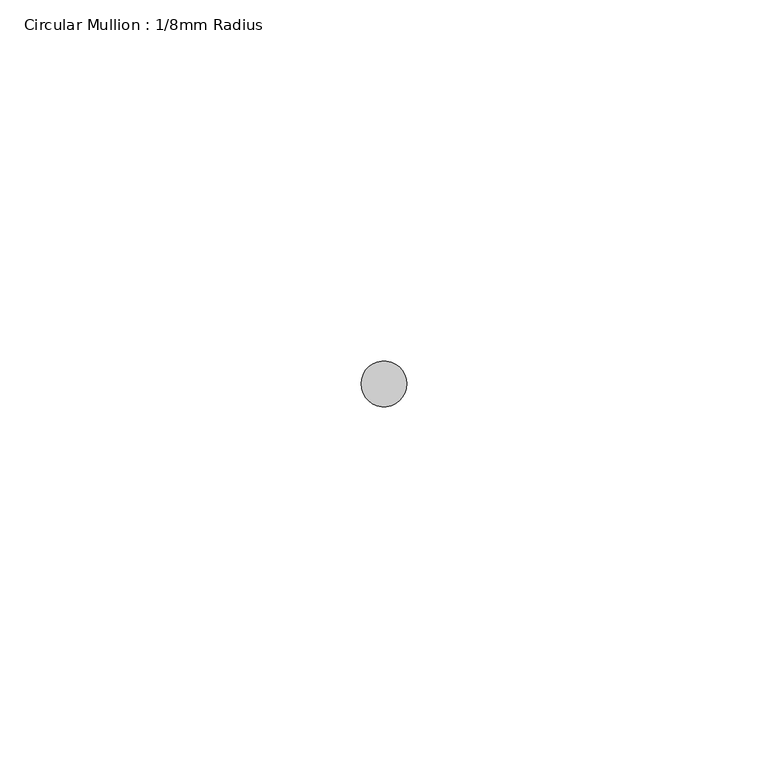
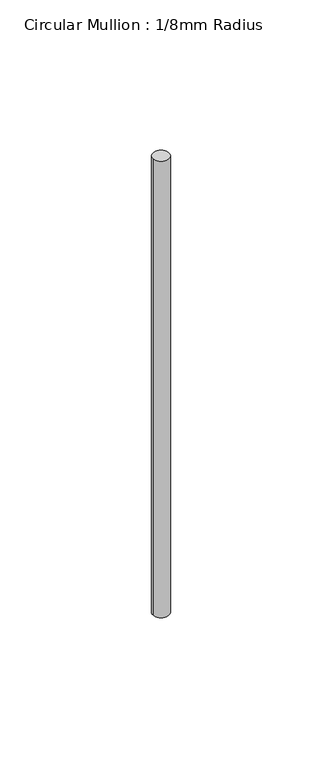
"""IFC4 building model written with IfcOpenShell, lengths in millimetres: member geometry, Circular Mullion : 1/8mm Radius."""

from ifc_helpers import new_model, si_unit, point, frame, origin, origin_2d, place, context, project, spatial, circle_curve, trimmed, segment, composite_curve, outline, extrude, source, transform, mapped, element, save


def circular_mullion_1_8mm_radius_31180b36(model_context):
    return source(origin(), model_context, "Body", "SweptSolid", [
        extrude(outline(composite_curve([segment(trimmed(circle_curve(origin_2d(), 3.175), [point((3.175, 0.0))], [point((-3.175, 0.0))], False, "CARTESIAN"), True, "CONTINUOUS"), segment(trimmed(circle_curve(origin_2d(), 3.175), [point((-3.175, 0.0))], [point((3.175, 0.0))], False, "CARTESIAN"), True, "CONTINUOUS")], self_intersect=False)), frame((0.0, 0.0, -187.8489733), z_axis=(0.0, 0.0, 1.0), x_axis=(1.0, 0.0, 0.0)), (0.0, 0.0, 1.0), 187.8489733),
    ])


if __name__ == "__main__":
    model = new_model("IFC4")
    model_context = context("Model", 3, world=origin())
    ifc_project = project(units=[si_unit("LENGTHUNIT", "METRE", prefix="MILLI")], contexts=[model_context])
    site = spatial("IfcSite", under=ifc_project)
    building = spatial("IfcBuilding", under=site)
    placement = place(None, origin())
    circular_mullion_1_8mm_radius_shape = circular_mullion_1_8mm_radius_31180b36(model_context)
    element("IfcMember", 1, ObjectType="Circular Mullion : 1/8mm Radius", at=placement, inside=building, context=model_context, shape_type="MappedRepresentation", body=[
        mapped(circular_mullion_1_8mm_radius_shape, transform((0.0, 0.0, 0.0), x_axis=(1.0, 0.0, 0.0), y_axis=(0.0, 1.0, 0.0), z_axis=(0.0, 0.0, 1.0))),
    ])
    save(model, "model.ifc")
